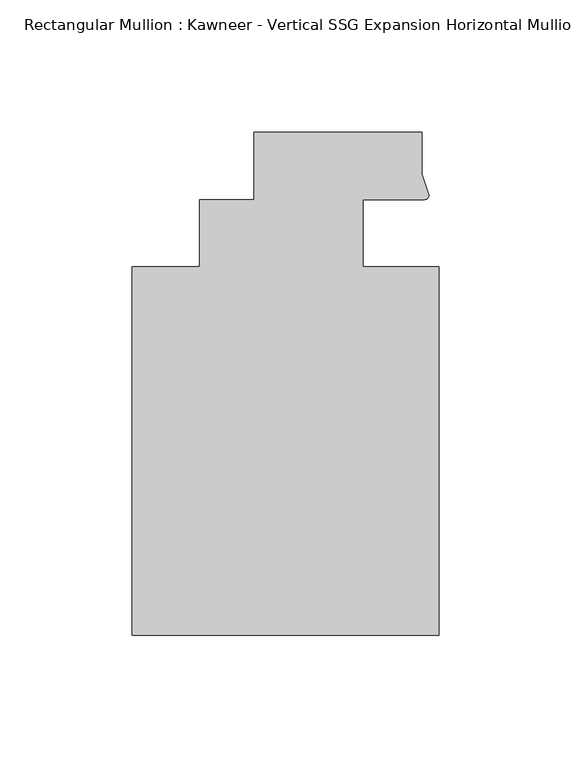
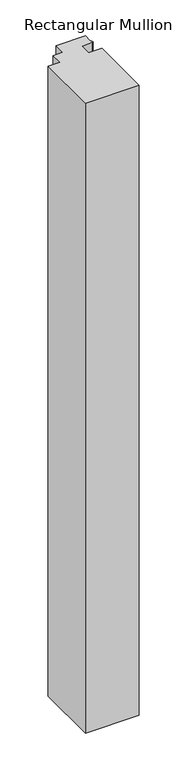
"""IFC4 building model written with IfcOpenShell, lengths in millimetres: member geometry."""

from ifc_helpers import new_model, si_unit, point, frame, frame_2d, origin, place, context, project, spatial, polyline, circle_curve, trimmed, segment, composite_curve, outline, extrude, source, transform, mapped, element, save


def member_6bc6c1c7(model_context):
    return source(origin(), model_context, "Body", "SweptSolid", [
        extrude(outline(composite_curve([segment(polyline([(48.2997293, 12.7000881), (25.0401592, 12.7000881), (25.0401592, -12.7), (53.615046, -12.7), (53.615046, -151.892), (-62.2957636, -151.892), (-62.2957636, -12.7), (-36.8958768, -12.7), (-36.8958768, 12.7), (-16.234954, 12.7), (-16.234954, 38.1), (47.265046, 38.1), (47.265046, 22.2250977), (49.9159011, 14.2884292)]), True, "CONTINUOUS"), segment(trimmed(circle_curve(frame_2d((48.2162832, 14.401412)), 1.703369), [point((49.9159011, 14.2884292))], [point((48.2997293, 12.7000881))], False, "CARTESIAN"), True, "CONTINUOUS")], self_intersect=False)), frame((0.0, 0.0, -1440.3150925), z_axis=(0.0, 0.0, 1.0), x_axis=(1.0, 0.0, 0.0)), (0.0, 0.0, 1.0), 1440.3150925),
    ])


if __name__ == "__main__":
    model = new_model("IFC4")
    model_context = context("Model", 3, world=origin())
    ifc_project = project(units=[si_unit("LENGTHUNIT", "METRE", prefix="MILLI")], contexts=[model_context])
    site = spatial("IfcSite", under=ifc_project)
    building = spatial("IfcBuilding", under=site)
    placement = place(None, origin())
    member_shape = member_6bc6c1c7(model_context)
    element("IfcMember", 1, ObjectType="Rectangular Mullion : Kawneer - Vertical SSG Expansion Horizontal Mullion - 7 1/2\"", at=placement, inside=building, context=model_context, shape_type="MappedRepresentation", body=[
        mapped(member_shape, transform((0.0, 0.0, 0.0), x_axis=(1.0, 0.0, 0.0), y_axis=(0.0, 1.0, 0.0), z_axis=(0.0, 0.0, 1.0))),
    ])
    save(model, "model.ifc")
